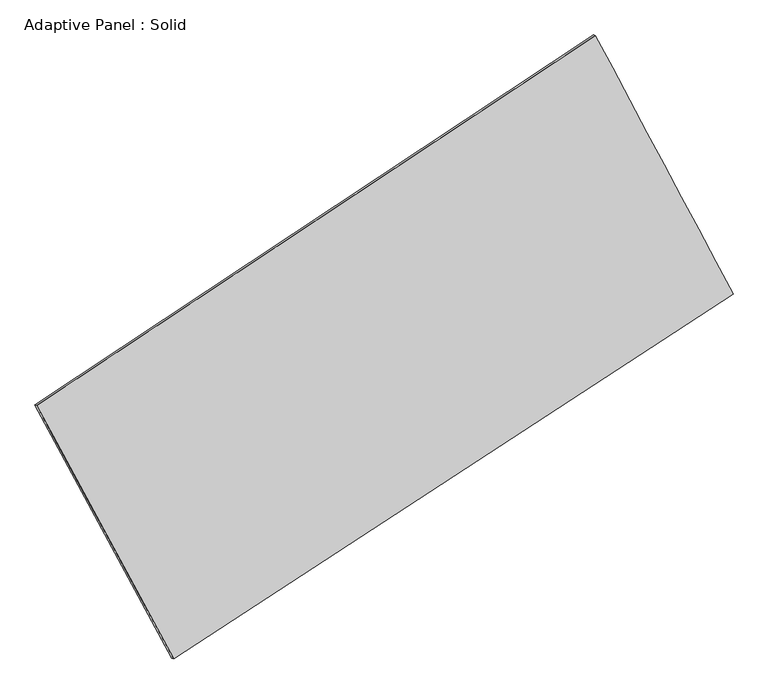
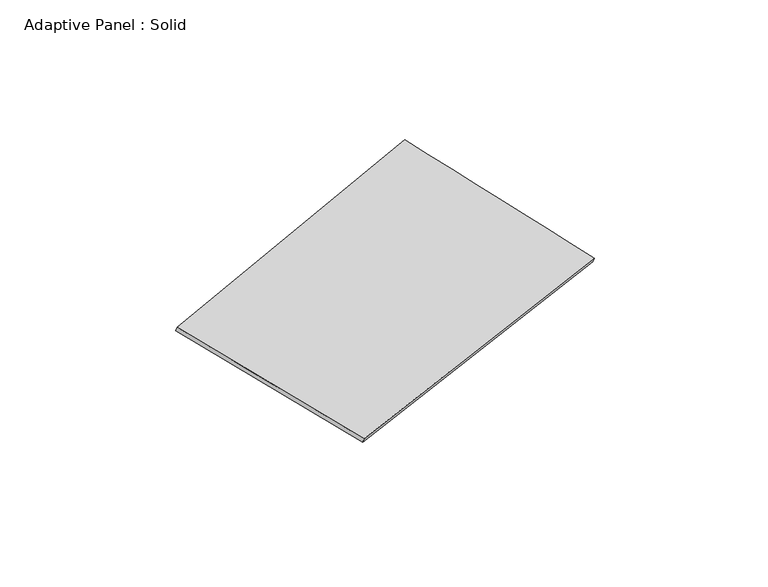
"""IFC4 building model written with IfcOpenShell, lengths in millimetres: plate geometry, Adaptive Panel : Solid."""

from ifc_helpers import new_model, si_unit, frame, origin, place, context, project, spatial, source, transform, mapped, element, save
from ifc_brep_helpers import plane_surface, spline_surface, advanced_brep


def adaptive_panel_solid_cf675c4f(model_context):
    return source(origin(), model_context, "Body", "AdvancedBrep", [
        advanced_brep(
        [(1174.6523314, 2612.6588956, 686.6443314), (-3666.8963486, -595.8383643, 1722.7523395), (-3652.2299928, -602.2184578, 1770.1252475), (1189.3186872, 2606.2788021, 734.0172395), (-2479.4212869, -2790.8957901, 1090.5323731), (-2464.754931, -2797.2758836, 1137.9052811), (2368.374726, 373.826686, -14.8065238), (2383.0410818, 367.4465925, 32.5663842)],
        [
            (0, 1),
            (1, 2),
            (2, 3),
            (3, 0),
            (1, 4),
            (4, 5),
            (5, 2),
            (4, 6),
            (6, 7),
            (7, 5),
            (6, 0),
            (3, 7),
        ],
        [
            plane_surface(frame((-1246.1220086, 1008.4102656, 1204.6983355), z_axis=(-0.4928479180122075, 0.8290243030835365, 0.26423405270307126), x_axis=(-0.8206183494076678, -0.5438242801179682, 0.17561513878253385))),
            plane_surface(frame((-3073.1588177, -1693.3670772, 1406.6423563), z_axis=(-0.8392053862671105, -0.5090748300927793, 0.1912515020235867), x_axis=(0.4612440226200039, -0.8526133723074071, -0.24556951960678722))),
            plane_surface(frame((-55.5232804, -1208.5345521, 537.8629247), z_axis=(0.4848098608206947, -0.8343113465973752, -0.2624575695038973), x_axis=(0.822507047050581, 0.5369463838109331, -0.18753863192551953))),
            plane_surface(frame((1771.5135287, 1493.2427908, 335.9189038), z_axis=(0.8398658246344678, 0.5078450152425601, -0.19162159874176396), x_axis=(-0.45347805357360893, 0.8505003150764441, 0.2664711409927172))),
            spline_surface(1, 1, [[(-3652.2299928, -602.2184578, 1770.1252475), (1189.3186872, 2606.2788021, 734.0172395)], [(-2464.754931, -2797.2758836, 1137.9052811), (2383.0410818, 367.4465925, 32.5663842)]], [2, 2], [2, 2], [0.0, 1.0], [0.0, 1.0]),
            spline_surface(1, 1, [[(2368.374726, 373.826686, -14.8065238), (1174.6523314, 2612.6588956, 686.6443314)], [(-2479.4212869, -2790.8957901, 1090.5323731), (-3666.8963486, -595.8383643, 1722.7523395)]], [2, 2], [2, 2], [0.0, 1.0], [0.0, 1.0]),
        ],
        [
            (0, [[1, 2, 3, 4]]),
            (1, [[5, 6, 7, -2]]),
            (2, [[8, 9, 10, -6]]),
            (3, [[11, -4, 12, -9]]),
            (4, [[-3, -7, -10, -12]]),
            (5, [[-11, -8, -5, -1]]),
        ],
    ),
    ])


if __name__ == "__main__":
    model = new_model("IFC4")
    model_context = context("Model", 3, world=origin())
    ifc_project = project(units=[si_unit("LENGTHUNIT", "METRE", prefix="MILLI")], contexts=[model_context])
    site = spatial("IfcSite", under=ifc_project)
    building = spatial("IfcBuilding", under=site)
    placement = place(None, origin())
    adaptive_panel_solid_shape = adaptive_panel_solid_cf675c4f(model_context)
    element("IfcPlate", 1, ObjectType="Adaptive Panel : Solid", at=placement, inside=building, context=model_context, shape_type="MappedRepresentation", body=[
        mapped(adaptive_panel_solid_shape, transform((0.0, 0.0, 0.0), x_axis=(1.0, 0.0, 0.0), y_axis=(0.0, 1.0, 0.0), z_axis=(0.0, 0.0, 1.0))),
    ])
    save(model, "model.ifc")
